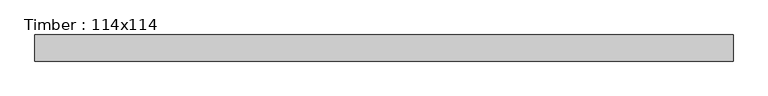
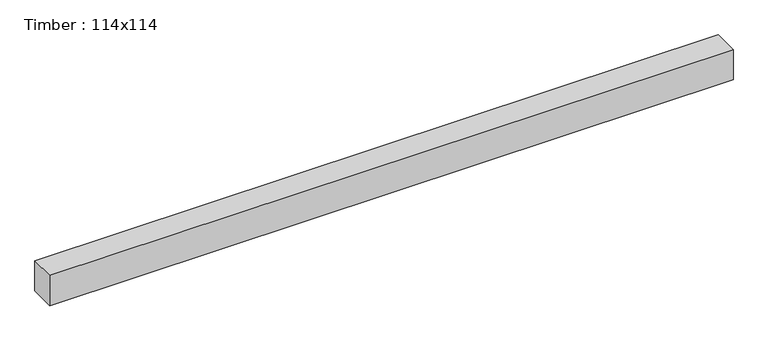
"""IFC4 building model written with IfcOpenShell, lengths in millimetres: beam geometry, Timber : 114x114."""

from ifc_helpers import new_model, si_unit, frame, origin, place, context, project, spatial, polyline, outline, extrude, source, transform, mapped, element, save


def timber_114x114_e2317e83(model_context):
    return source(origin(), model_context, "Body", "SweptSolid", [
        extrude(outline(polyline([(1068.0, 40.0), (1068.0, -40.0), (-1068.0, -40.0), (-1068.0, 40.0), (1068.0, 40.0)])), frame((0.0, 0.0, -50.0), z_axis=(0.0, 0.0, 1.0), x_axis=(1.0, 0.0, 0.0)), (0.0, 0.0, 1.0), 100.0),
    ])


if __name__ == "__main__":
    model = new_model("IFC4")
    model_context = context("Model", 3, world=origin())
    ifc_project = project(units=[si_unit("LENGTHUNIT", "METRE", prefix="MILLI")], contexts=[model_context])
    site = spatial("IfcSite", under=ifc_project)
    building = spatial("IfcBuilding", under=site)
    placement = place(None, origin())
    timber_114x114_shape = timber_114x114_e2317e83(model_context)
    element("IfcBeam", 1, ObjectType="Timber : 114x114", at=placement, inside=building, context=model_context, shape_type="MappedRepresentation", body=[
        mapped(timber_114x114_shape, transform((0.0, 0.0, 0.0), x_axis=(1.0, 0.0, 0.0), y_axis=(0.0, 1.0, 0.0), z_axis=(0.0, 0.0, 1.0))),
    ])
    save(model, "model.ifc")
